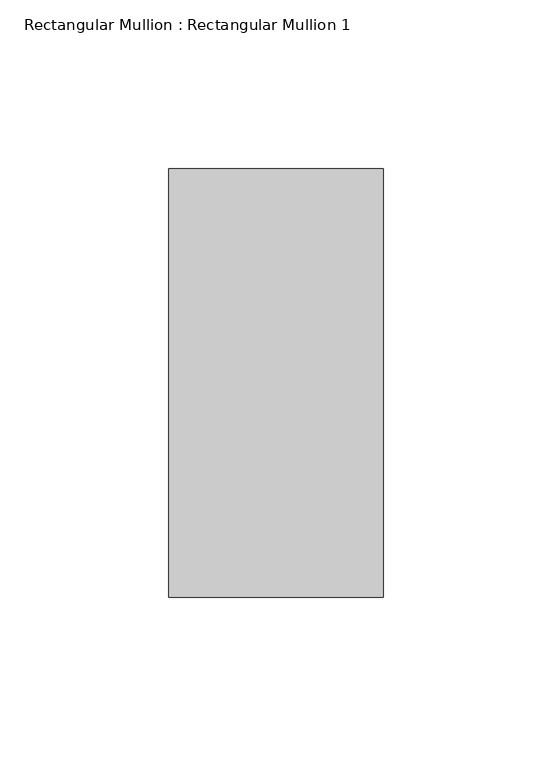
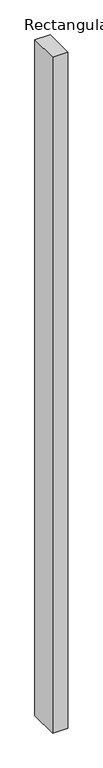
"""IFC4 building model written with IfcOpenShell, lengths in millimetres: member geometry, Rectangular Mullion : Rectangular Mullion 1."""

from ifc_helpers import new_model, si_unit, frame, origin, place, context, project, spatial, polyline, outline, extrude, source, transform, mapped, element, save


def rectangular_mullion_rectangular_mullion_1_3b28424e(model_context):
    return source(origin(), model_context, "Body", "SweptSolid", [
        extrude(outline(polyline([(0.0, 63.5), (0.0, -63.5), (-63.5, -63.5), (-63.5, 63.5), (0.0, 63.5)])), frame((0.0, 0.0, -2974.975), z_axis=(0.0, 0.0, 1.0), x_axis=(1.0, 0.0, 0.0)), (0.0, 0.0, 1.0), 2974.975),
    ])


if __name__ == "__main__":
    model = new_model("IFC4")
    model_context = context("Model", 3, world=origin())
    ifc_project = project(units=[si_unit("LENGTHUNIT", "METRE", prefix="MILLI")], contexts=[model_context])
    site = spatial("IfcSite", under=ifc_project)
    building = spatial("IfcBuilding", under=site)
    placement = place(None, origin())
    rectangular_mullion_rectangular_mullion_1_shape = rectangular_mullion_rectangular_mullion_1_3b28424e(model_context)
    element("IfcMember", 1, ObjectType="Rectangular Mullion : Rectangular Mullion 1", at=placement, inside=building, context=model_context, shape_type="MappedRepresentation", body=[
        mapped(rectangular_mullion_rectangular_mullion_1_shape, transform((0.0, 0.0, 0.0), x_axis=(1.0, 0.0, 0.0), y_axis=(0.0, 1.0, 0.0), z_axis=(0.0, 0.0, 1.0))),
    ])
    save(model, "model.ifc")
